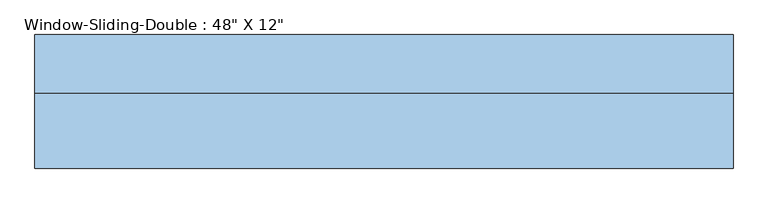
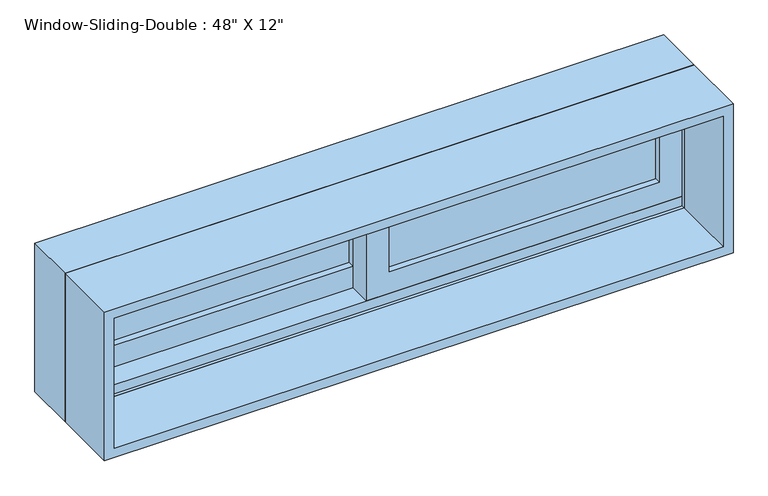
"""IFC4 building model written with IfcOpenShell, lengths in millimetres: window geometry."""

from ifc_helpers import new_model, si_unit, frame, origin, place, context, project, spatial, polyline, outline, extrude, faceted_brep, source, transform, mapped, element, save


def window_fce9c6c4(model_context):
    return source(origin(), model_context, "Body", "SolidModel", [
        faceted_brep([(-609.6, 20.79625, 914.4), (-609.6, 122.39625, 914.4), (609.6, 122.39625, 914.4), (609.6, 20.79625, 914.4), (-568.6778905, 122.39625, 1178.2778905), (-568.6778905, 116.04625, 1178.2778905), (-568.6778905, 116.04625, 933.45), (-568.6778905, 122.39625, 933.45), (568.6778905, 116.04625, 1178.2778905), (568.6778905, 116.04625, 933.45), (590.55, 116.04625, 933.45), (590.55, 116.04625, 1200.15), (-590.55, 116.04625, 1200.15), (-590.55, 116.04625, 933.45), (-590.55, 20.79625, 1200.15), (-590.55, 20.79625, 933.45), (-590.55, 27.14625, 933.45), (-590.55, 27.14625, 952.5), (-590.55, 71.59625, 952.5), (-590.55, 71.59625, 933.45), (609.6, 20.79625, 1219.2), (-609.6, 20.79625, 1219.2), (590.55, 20.79625, 1200.15), (590.55, 20.79625, 933.45), (-609.6, 122.39625, 1219.2), (609.6, 122.39625, 1219.2), (568.6778905, 122.39625, 933.45), (568.6778905, 122.39625, 1178.2778905), (590.55, 71.59625, 933.45), (590.55, 71.59625, 952.5), (590.55, 27.14625, 952.5), (590.55, 27.14625, 933.45)], [[[0, 1, 2, 3]], [[4, 5, 6, 7]], [[5, 8, 9, 10, 11, 12, 13, 6]], [[12, 14, 15, 16, 17, 18, 19, 13]], [[0, 3, 20, 21], [22, 23, 15, 14]], [[24, 1, 0, 21]], [[2, 1, 24, 25], [4, 7, 26, 27]], [[5, 4, 27, 8]], [[12, 11, 22, 14]], [[21, 20, 25, 24]], [[8, 27, 26, 9]], [[22, 11, 10, 28, 29, 30, 31, 23]], [[20, 3, 2, 25]], [[26, 7, 6, 13, 19, 28, 10, 9]], [[28, 19, 18, 29]], [[29, 18, 17, 30]], [[30, 17, 16, 31]], [[15, 23, 31, 16]]]),
        extrude(outline(polyline([(1219.2, -609.6), (914.4, -609.6), (914.4, 609.6), (1219.2, 609.6), (1219.2, -609.6)]), holes=[polyline([(1200.15, 590.55), (933.45, 590.55), (933.45, -590.55), (1200.15, -590.55), (1200.15, 590.55)])]), frame((0.0, -110.96625, 0.0), z_axis=(0.0, 1.0, 0.0), x_axis=(0.0, 0.0, 1.0)), (0.0, 0.0, 1.0), 131.7625),
        extrude(outline(polyline([(546.1, 58.89625), (546.1, 52.54625), (22.225, 52.54625), (22.225, 58.89625), (546.1, 58.89625)])), frame((0.0, 0.0, 996.95), z_axis=(0.0, 0.0, 1.0), x_axis=(1.0, 0.0, 0.0)), (0.0, 0.0, 1.0), 158.75),
        extrude(outline(polyline([(546.1, 46.19625), (546.1, 39.84625), (22.225, 39.84625), (22.225, 46.19625), (546.1, 46.19625)])), frame((0.0, 0.0, 996.95), z_axis=(0.0, 0.0, 1.0), x_axis=(1.0, 0.0, 0.0)), (0.0, 0.0, 1.0), 158.75),
        extrude(outline(polyline([(-22.225, 103.34625), (-22.225, 96.99625), (-546.1, 96.99625), (-546.1, 103.34625), (-22.225, 103.34625)])), frame((0.0, 0.0, 996.95), z_axis=(0.0, 0.0, 1.0), x_axis=(1.0, 0.0, 0.0)), (0.0, 0.0, 1.0), 158.75),
        extrude(outline(polyline([(-22.225, 90.64625), (-22.225, 84.29625), (-546.1, 84.29625), (-546.1, 90.64625), (-22.225, 90.64625)])), frame((0.0, 0.0, 996.95), z_axis=(0.0, 0.0, 1.0), x_axis=(1.0, 0.0, 0.0)), (0.0, 0.0, 1.0), 158.75),
        extrude(outline(polyline([(933.45, -590.55), (933.45, 22.225), (1200.15, 22.225), (1200.15, -590.55), (933.45, -590.55)]), holes=[polyline([(1155.7, -22.225), (996.95, -22.225), (996.95, -546.1), (1155.7, -546.1), (1155.7, -22.225)])]), frame((0.0, 71.59625, 0.0), z_axis=(0.0, 1.0, 0.0), x_axis=(0.0, 0.0, 1.0)), (0.0, 0.0, 1.0), 44.45),
        extrude(outline(polyline([(952.5, 590.55), (1200.15, 590.55), (1200.15, -22.225), (952.5, -22.225), (952.5, 590.55)]), holes=[polyline([(996.95, 22.225), (1155.7, 22.225), (1155.7, 546.1), (996.95, 546.1), (996.95, 22.225)])]), frame((0.0, 27.14625, 0.0), z_axis=(0.0, 1.0, 0.0), x_axis=(0.0, 0.0, 1.0)), (0.0, 0.0, 1.0), 44.45),
    ])


if __name__ == "__main__":
    model = new_model("IFC4")
    model_context = context("Model", 3, world=origin())
    ifc_project = project(units=[si_unit("LENGTHUNIT", "METRE", prefix="MILLI")], contexts=[model_context])
    site = spatial("IfcSite", under=ifc_project)
    building = spatial("IfcBuilding", under=site)
    placement = place(None, origin())
    window_shape = window_fce9c6c4(model_context)
    element("IfcWindow", 1, ObjectType="Window-Sliding-Double : 48\" X 12\"", at=placement, inside=building, context=model_context, shape_type="MappedRepresentation", body=[
        mapped(window_shape, transform((0.0, 0.0, 0.0), x_axis=(1.0, 0.0, 0.0), y_axis=(0.0, 1.0, 0.0), z_axis=(0.0, 0.0, 1.0))),
    ])
    save(model, "model.ifc")
